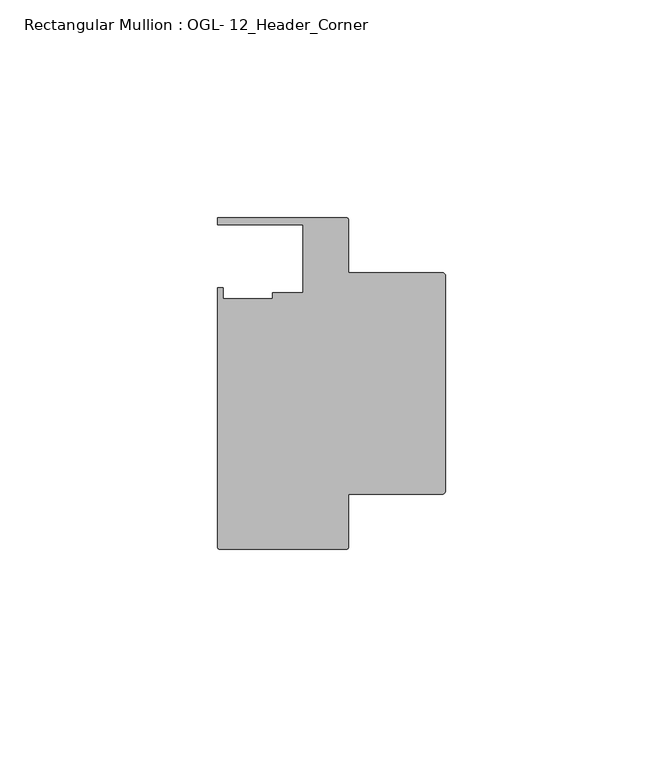
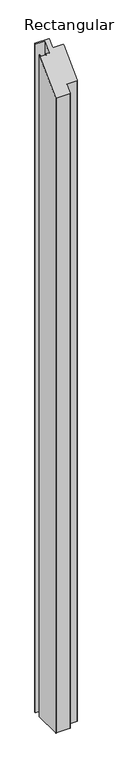
"""IFC4 building model written with IfcOpenShell, lengths in millimetres: member geometry, Rectangular Mullion : OGL- 12_Header_Corner."""

from ifc_helpers import new_model, si_unit, frame, origin, place, context, project, spatial, circle_curve, ellipse_curve, source, transform, mapped, element, save
from ifc_brep_helpers import plane_surface, cylinder_surface, advanced_brep


def rectangular_mullion_ogl_12_header_corner_6dd69fa4(model_context):
    return source(origin(), model_context, "Body", "AdvancedBrep", [
        advanced_brep(
        [(-0.5953125, -55.5625, -1477.9660402), (-22.2332898, -55.5625, -1477.9660402), (-22.2332898, -67.6668667, -1477.9660402), (-22.8286023, -68.2621792, -1477.9660402), (-51.7968699, -68.2621792, -1477.9660402), (-52.3921824, -67.6668667, -1477.9660402), (-52.3921824, -8.1914024, -1477.9660402), (-51.1362531, -8.1914024, -1477.9660402), (-51.1362531, -10.6800725, -1477.9660402), (-39.7567771, -10.6800725, -1477.9660402), (-39.7567771, -9.3367652, -1477.9660402), (-32.730302, -9.3367652, -1477.9660402), (-32.730302, 6.350016, -1477.9660402), (-52.3830881, 6.350016, -1477.9660402), (-52.3830881, 7.937516, -1477.9660402), (-22.8763468, 7.937516, -1477.9660402), (-22.2332898, 7.294459, -1477.9660402), (-22.2332898, -4.7625, -1477.9660402), (-0.5953125, -4.7625, -1477.9660402), (0.0, -5.3578125, -1477.9660402), (0.0, -54.9671875, -1477.9660402), (0.0, -54.9671875, -54.9671875), (-0.5953125, -55.5625, -55.5625), (0.0, -5.3578125, -5.3578125), (-0.5953125, -4.7625, -4.7625), (-22.2332898, -4.7625, -4.7625), (-22.2332898, 7.294459, 7.294459), (-22.8763468, 7.937516, 7.937516), (-52.3830881, 7.937516, 7.937516), (-52.3830881, 6.350016, 6.350016), (-32.730302, 6.350016, 6.350016), (-32.730302, -9.3367652, -9.3367652), (-39.7567771, -9.3367652, -9.3367652), (-39.7567771, -10.6800725, -10.6800725), (-51.1362531, -10.6800725, -10.6800725), (-51.1362531, -8.1914024, -8.1914024), (-52.3921824, -8.1914024, -8.1914024), (-52.3921824, -67.6668667, -67.6668667), (-51.7968699, -68.2621792, -68.2621792), (-22.8286023, -68.2621792, -68.2621792), (-22.2332898, -67.6668667, -67.6668667), (-22.2332898, -55.5625, -55.5625)],
        [
            (0, 1),
            (1, 2),
            (2, 3, circle_curve(frame((-22.8286023, -67.6668667, -1477.9660402), z_axis=(0.0, 0.0, -1.0), x_axis=(1.0, 0.0, 0.0)), 0.5953125)),
            (3, 4),
            (4, 5, circle_curve(frame((-51.7968699, -67.6668667, -1477.9660402), z_axis=(0.0, 0.0, -1.0), x_axis=(1.0, 0.0, 0.0)), 0.5953125)),
            (5, 6),
            (6, 7),
            (7, 8),
            (8, 9),
            (9, 10),
            (10, 11),
            (11, 12),
            (12, 13),
            (13, 14),
            (14, 15),
            (15, 16, circle_curve(frame((-22.8763468, 7.294459, -1477.9660402), z_axis=(0.0, 0.0, -1.0), x_axis=(1.0, 0.0, 0.0)), 0.643057)),
            (16, 17),
            (17, 18),
            (18, 19, circle_curve(frame((-0.5953125, -5.3578125, -1477.9660402), z_axis=(0.0, 0.0, -1.0), x_axis=(1.0, 0.0, 0.0)), 0.5953125)),
            (19, 20),
            (20, 0, circle_curve(frame((-0.5953125, -54.9671875, -1477.9660402), z_axis=(0.0, 0.0, -1.0), x_axis=(0.0, -1.0, 0.0)), 0.5953125)),
            (21, 22, ellipse_curve(frame((-0.5953125, -54.9671875, -54.9671875), z_axis=(0.0, 0.7071067811865466, -0.7071067811865486), x_axis=(0.0, 0.7071067811865485, 0.7071067811865465)), 0.841899, 0.5953125)),
            (22, 0),
            (20, 21),
            (23, 21),
            (19, 23),
            (24, 23, ellipse_curve(frame((-0.5953125, -5.3578125, -5.3578125), z_axis=(0.0, 0.7071067811865466, -0.7071067811865486), x_axis=(0.0, 0.7071067811865485, 0.7071067811865465)), 0.841899, 0.5953125)),
            (18, 24),
            (25, 24),
            (17, 25),
            (26, 25),
            (16, 26),
            (27, 26, ellipse_curve(frame((-22.8763468, 7.294459, 7.294459), z_axis=(0.0, 0.7071067811865466, -0.7071067811865486), x_axis=(0.0, 0.7071067811865485, 0.7071067811865465)), 0.9094199, 0.643057)),
            (15, 27),
            (28, 27),
            (14, 28),
            (29, 28),
            (13, 29),
            (30, 29),
            (12, 30),
            (31, 30),
            (11, 31),
            (32, 31),
            (10, 32),
            (33, 32),
            (9, 33),
            (34, 33),
            (8, 34),
            (35, 34),
            (7, 35),
            (36, 35),
            (6, 36),
            (37, 36),
            (5, 37),
            (38, 37, ellipse_curve(frame((-51.7968699, -67.6668667, -67.6668667), z_axis=(0.0, 0.7071067811865466, -0.7071067811865486), x_axis=(0.0, 0.7071067811865485, 0.7071067811865465)), 0.841899, 0.5953125)),
            (4, 38),
            (39, 38),
            (3, 39),
            (40, 39, ellipse_curve(frame((-22.8286023, -67.6668667, -67.6668667), z_axis=(0.0, 0.7071067811865466, -0.7071067811865486), x_axis=(0.0, 0.7071067811865485, 0.7071067811865465)), 0.841899, 0.5953125)),
            (2, 40),
            (41, 40),
            (1, 41),
            (22, 41),
        ],
        [
            plane_surface(frame((0.0, -85.8058936, -1477.9660402), z_axis=(0.0, 0.0, -1.0), x_axis=(-1.0, 0.0, 0.0))),
            cylinder_surface(frame((-0.5953125, -54.9671875, 0.0), z_axis=(0.0, 0.0, 1.0), x_axis=(0.0, -1.0, 0.0)), 0.5953125),
            plane_surface(frame((0.0, -54.9671875, 0.0), z_axis=(1.0, 0.0, 0.0), x_axis=(0.0, 0.0, -1.0))),
            cylinder_surface(frame((-0.5953125, -5.3578125, 0.0), z_axis=(0.0, 0.0, 1.0), x_axis=(1.0, 0.0, 0.0)), 0.5953125),
            plane_surface(frame((-0.5953125, -4.7625, 0.0), z_axis=(0.0, 1.0, 0.0), x_axis=(0.0, 0.0, -1.0))),
            plane_surface(frame((-22.2332898, -4.7625, 0.0), z_axis=(1.0, 0.0, 0.0), x_axis=(0.0, 0.0, -1.0))),
            cylinder_surface(frame((-22.8763468, 7.294459, 0.0), z_axis=(0.0, 0.0, 1.0), x_axis=(1.0, 0.0, 0.0)), 0.643057),
            plane_surface(frame((-22.8763468, 7.937516, 0.0), z_axis=(0.0, 1.0, 0.0), x_axis=(0.0, 0.0, -1.0))),
            plane_surface(frame((-52.3830881, 7.937516, 0.0), z_axis=(-1.0, 0.0, 0.0), x_axis=(0.0, 0.0, -1.0))),
            plane_surface(frame((-52.3830881, 6.350016, 0.0), z_axis=(0.0, -1.0, 0.0), x_axis=(0.0, 0.0, -1.0))),
            plane_surface(frame((-32.730302, 6.350016, 0.0), z_axis=(-1.0, 0.0, 0.0), x_axis=(0.0, 0.0, -1.0))),
            plane_surface(frame((-32.730302, -9.3367652, 0.0), z_axis=(0.0, 1.0, 0.0), x_axis=(0.0, 0.0, -1.0))),
            plane_surface(frame((-39.7567771, -9.3367652, 0.0), z_axis=(-1.0, 0.0, 0.0), x_axis=(0.0, 0.0, -1.0))),
            plane_surface(frame((-39.7567771, -10.6800725, 0.0), z_axis=(0.0, 1.0, 0.0), x_axis=(0.0, 0.0, -1.0))),
            plane_surface(frame((-51.1362531, -10.6800725, 0.0), z_axis=(1.0, 0.0, 0.0), x_axis=(0.0, 0.0, -1.0))),
            plane_surface(frame((-51.1362531, -8.1914024, 0.0), z_axis=(0.0, 1.0, 0.0), x_axis=(0.0, 0.0, -1.0))),
            plane_surface(frame((-52.3921824, -8.1914024, 0.0), z_axis=(-1.0, 0.0, 0.0), x_axis=(0.0, 0.0, -1.0))),
            cylinder_surface(frame((-51.7968699, -67.6668667, 0.0), z_axis=(0.0, 0.0, 1.0), x_axis=(1.0, 0.0, 0.0)), 0.5953125),
            plane_surface(frame((-51.7968699, -68.2621792, 0.0), z_axis=(0.0, -1.0, 0.0), x_axis=(0.0, 0.0, -1.0))),
            cylinder_surface(frame((-22.8286023, -67.6668667, 0.0), z_axis=(0.0, 0.0, 1.0), x_axis=(1.0, 0.0, 0.0)), 0.5953125),
            plane_surface(frame((-22.2332898, -67.6668667, 0.0), z_axis=(1.0, 0.0, 0.0), x_axis=(0.0, 0.0, -1.0))),
            plane_surface(frame((-22.2332898, -55.5625, 0.0), z_axis=(0.0, -1.0, 0.0), x_axis=(0.0, 0.0, -1.0))),
            plane_surface(frame((304.8, 0.0, 0.0), z_axis=(0.0, -0.7071067811865466, 0.7071067811865486), x_axis=(0.0, -0.7071067811865486, -0.7071067811865466))),
        ],
        [
            (0, [[1, 2, 3, 4, 5, 6, 7, 8, 9, 10, 11, 12, 13, 14, 15, 16, 17, 18, 19, 20, 21]]),
            (1, [[22, 23, -21, 24]]),
            (2, [[25, -24, -20, 26]]),
            (3, [[27, -26, -19, 28]]),
            (4, [[29, -28, -18, 30]]),
            (5, [[31, -30, -17, 32]]),
            (6, [[33, -32, -16, 34]]),
            (7, [[35, -34, -15, 36]]),
            (8, [[37, -36, -14, 38]]),
            (9, [[39, -38, -13, 40]]),
            (10, [[41, -40, -12, 42]]),
            (11, [[43, -42, -11, 44]]),
            (12, [[45, -44, -10, 46]]),
            (13, [[47, -46, -9, 48]]),
            (14, [[49, -48, -8, 50]]),
            (15, [[51, -50, -7, 52]]),
            (16, [[53, -52, -6, 54]]),
            (17, [[55, -54, -5, 56]]),
            (18, [[57, -56, -4, 58]]),
            (19, [[59, -58, -3, 60]]),
            (20, [[61, -60, -2, 62]]),
            (21, [[63, -62, -1, -23]]),
            (22, [[-22, -25, -27, -29, -31, -33, -35, -37, -39, -41, -43, -45, -47, -49, -51, -53, -55, -57, -59, -61, -63]]),
        ],
    ),
    ])


if __name__ == "__main__":
    model = new_model("IFC4")
    model_context = context("Model", 3, world=origin())
    ifc_project = project(units=[si_unit("LENGTHUNIT", "METRE", prefix="MILLI")], contexts=[model_context])
    site = spatial("IfcSite", under=ifc_project)
    building = spatial("IfcBuilding", under=site)
    placement = place(None, origin())
    rectangular_mullion_ogl_12_header_corner_shape = rectangular_mullion_ogl_12_header_corner_6dd69fa4(model_context)
    element("IfcMember", 1, ObjectType="Rectangular Mullion : OGL- 12_Header_Corner", at=placement, inside=building, context=model_context, shape_type="MappedRepresentation", body=[
        mapped(rectangular_mullion_ogl_12_header_corner_shape, transform((0.0, 0.0, 0.0), x_axis=(1.0, 0.0, 0.0), y_axis=(0.0, 1.0, 0.0), z_axis=(0.0, 0.0, 1.0))),
    ])
    save(model, "model.ifc")
